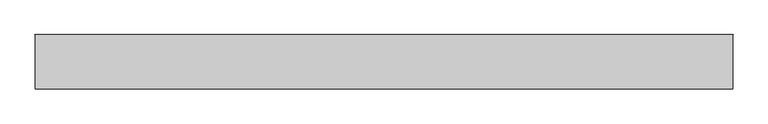
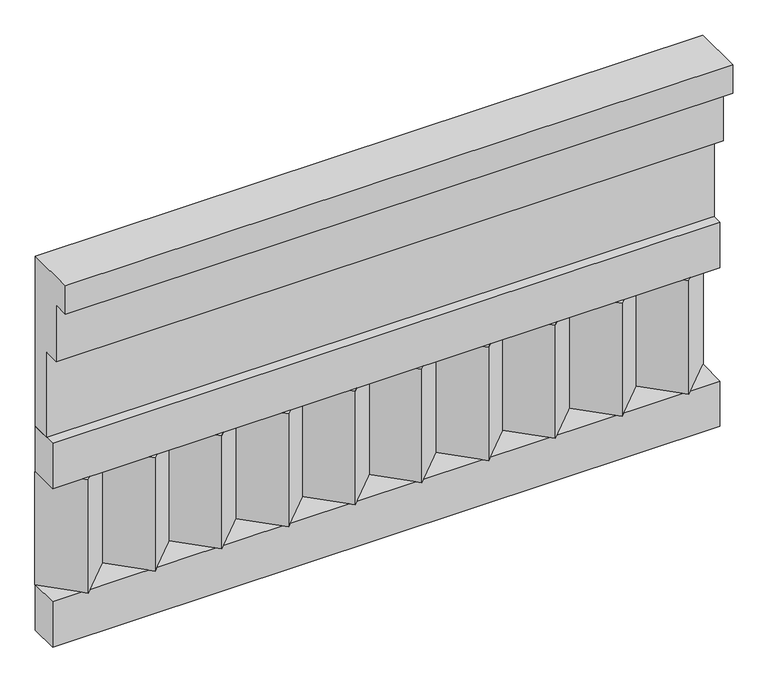
"""IFC4 building model written with IfcOpenShell, lengths in millimetres: railing geometry."""

import ifcopenshell
import ifcopenshell.guid

model = None  # the IFC model being written
_history = None  # IfcOwnerHistory: only IFC2X3 demands one
_inside = {}  # id of a spatial element -> (the spatial element, [elements in it])
_under = {}  # id of a project, library or spatial element -> (it, [spatial elements below it])
_declared = {}  # id of a project -> (the project, [libraries it declares])
_typed = {}  # id of a type object -> (the type object, [elements of that type])
_made_of = {}  # id of a material, layer set ... -> (it, [elements and type objects made of it])


def new_model(schema):
    """Start an empty IFC model of exactly this schema.

    Asked for "IFC4X3", IfcOpenShell would pick the latest addendum, in which some entities
    have other attributes; the version numbers below select the first issue.
    IFC2X3 requires an IfcOwnerHistory on every rooted entity: one is made here for all.
    """
    global model, _history
    if schema == "IFC4X3":
        model = ifcopenshell.file(schema_version=(4, 3, 0, 0))
    else:
        model = ifcopenshell.file(schema=schema)
    _inside.clear()
    _under.clear()
    _declared.clear()
    _typed.clear()
    _made_of.clear()
    _history = None
    if model.schema == "IFC2X3":
        org = make("IfcOrganization", Name="unknown")
        user = make(
            "IfcPersonAndOrganization",
            ThePerson=make("IfcPerson", FamilyName="unknown"),
            TheOrganization=org,
        )
        app = make(
            "IfcApplication",
            ApplicationDeveloper=org,
            Version="unknown",
            ApplicationFullName="unknown",
            ApplicationIdentifier="unknown",
        )
        _history = make(
            "IfcOwnerHistory",
            OwningUser=user,
            OwningApplication=app,
            ChangeAction="ADDED",
            CreationDate=0,
        )
    return model


def make(cls, **values):
    """One entity of the class cls with the attributes given. An attribute that is None is left unset."""
    return model.create_entity(
        cls, **{name: value for name, value in values.items() if value is not None}
    )


def rooted(cls, **values):
    """An entity with a GlobalId (a new one), such as an element, a storey or a relation."""
    return make(cls, GlobalId=ifcopenshell.guid.new(), OwnerHistory=_history, **values)


def si_unit(unit_type, name, prefix=None):
    """IfcSIUnit, for example si_unit("LENGTHUNIT", "METRE", prefix="MILLI")."""
    return make("IfcSIUnit", UnitType=unit_type, Prefix=prefix, Name=name)


def assignment(units):
    """IfcUnitAssignment: the units of a project."""
    return None if units is None else make("IfcUnitAssignment", Units=units)


def point(xyz):
    """IfcCartesianPoint."""
    return None if xyz is None else make("IfcCartesianPoint", Coordinates=xyz)


def direction(xyz):
    """IfcDirection."""
    return None if xyz is None else make("IfcDirection", DirectionRatios=xyz)


def frame(location, z_axis=None, x_axis=None):
    """IfcAxis2Placement3D, a coordinate frame: its origin and axes. An axis left out is left unset."""
    return make(
        "IfcAxis2Placement3D",
        Location=point(location),
        Axis=direction(z_axis),
        RefDirection=direction(x_axis),
    )


def origin():
    """The frame at (0, 0, 0) with its axes left unset."""
    return frame((0.0, 0.0, 0.0))


def place(relative_to, where):
    """IfcLocalPlacement: puts the frame where relative to a parent placement (None: the world)."""
    return make(
        "IfcLocalPlacement", PlacementRelTo=relative_to, RelativePlacement=where
    )


def context(
    kind, dimensions, precision=None, world=None, true_north=None, identifier=None
):
    """IfcGeometricRepresentationContext, for example the 3D "Model" context."""
    return make(
        "IfcGeometricRepresentationContext",
        ContextIdentifier=identifier,
        ContextType=kind,
        CoordinateSpaceDimension=dimensions,
        Precision=precision,
        WorldCoordinateSystem=world,
        TrueNorth=true_north,
    )


def project(units=None, contexts=None):
    """IfcProject with its units and contexts."""
    return rooted(
        "IfcProject",
        Name="project",
        RepresentationContexts=contexts,
        UnitsInContext=assignment(units),
    )


def spatial(cls, under=None, at=None, **own):
    """A site, building, storey or space (cls), placed at a placement, below another one or the project."""
    s = rooted(cls, ObjectPlacement=at, **own)
    if under is not None:
        _under.setdefault(under.id(), (under, []))[1].append(s)
    return s


def polyline(points):
    """IfcPolyline through the points."""
    return make("IfcPolyline", Points=[point(p) for p in points])


def outline(outer, holes=None, kind="AREA"):
    """IfcArbitraryClosedProfileDef: a profile drawn as a closed curve; with holes, ...WithVoids."""
    if holes is None:
        return make("IfcArbitraryClosedProfileDef", ProfileType=kind, OuterCurve=outer)
    return make(
        "IfcArbitraryProfileDefWithVoids",
        ProfileType=kind,
        OuterCurve=outer,
        InnerCurves=holes,
    )


def extrude(swept, where, along, depth):
    """IfcExtrudedAreaSolid: the profile swept, set in the frame where, extruded along a direction by depth."""
    return make(
        "IfcExtrudedAreaSolid",
        SweptArea=swept,
        Position=where,
        ExtrudedDirection=direction(along),
        Depth=depth,
    )


def shape(context_of_items, identifier, shape_type, items):
    """IfcShapeRepresentation: the items that make up one representation, for example the "Body"."""
    return make(
        "IfcShapeRepresentation",
        ContextOfItems=context_of_items,
        RepresentationIdentifier=identifier,
        RepresentationType=shape_type,
        Items=items,
    )


def source(mapping_origin, context_of_items, identifier, shape_type, items):
    """IfcRepresentationMap: a shape defined once, which mapped items show again and again."""
    return make(
        "IfcRepresentationMap",
        MappingOrigin=mapping_origin,
        MappedRepresentation=shape(context_of_items, identifier, shape_type, items),
    )


def transform(
    local_origin,
    x_axis=None,
    y_axis=None,
    z_axis=None,
    scale=None,
    scale2=None,
    scale3=None,
    uniform=True,
):
    """IfcCartesianTransformationOperator3D, or its non-uniform kind. x_axis, y_axis, z_axis: its Axis1, 2, 3."""
    if uniform:
        return make(
            "IfcCartesianTransformationOperator3D",
            Axis1=direction(x_axis),
            Axis2=direction(y_axis),
            LocalOrigin=point(local_origin),
            Scale=scale,
            Axis3=direction(z_axis),
        )
    return make(
        "IfcCartesianTransformationOperator3DnonUniform",
        Axis1=direction(x_axis),
        Axis2=direction(y_axis),
        LocalOrigin=point(local_origin),
        Scale=scale,
        Axis3=direction(z_axis),
        Scale2=scale2,
        Scale3=scale3,
    )


def mapped(mapping_source, mapping_target):
    """IfcMappedItem: shows the shape of a source again, moved by a transform."""
    return make(
        "IfcMappedItem", MappingSource=mapping_source, MappingTarget=mapping_target
    )


def made_of(thing, what):
    """Note that an element or type object is made of a material, layer set ...; save() writes the relation."""
    if what is not None:
        _made_of.setdefault(what.id(), (what, []))[1].append(thing)
    return thing


def element(
    cls,
    number,
    at=None,
    inside=None,
    cuts=None,
    type_object=None,
    material=None,
    context=None,
    identifier="Body",
    shape_type=None,
    held_by="IfcProductDefinitionShape",
    body=None,
    shapes=None,
    **own,
):
    """One element of the class cls, such as IfcWall. Its Tag is "e" and its number.

    at: its placement. inside: the storey or other place that contains it. cuts: it is an
    opening in that element (IfcRelVoidsElement). A single representation is given by context,
    identifier, shape_type and body (its items); several are given by shapes. held_by: the class
    of the entity that holds the representations. save() writes the other relations.
    """
    e = rooted(cls, Tag="e%d" % number, ObjectPlacement=at, **own)
    if body is not None:
        shapes = [shape(context, identifier, shape_type, body)]
    if shapes is not None:
        e.Representation = make(held_by, Representations=shapes)
    if inside is not None:
        _inside.setdefault(inside.id(), (inside, []))[1].append(e)
    if cuts is not None:
        rooted(
            "IfcRelVoidsElement", RelatingBuildingElement=cuts, RelatedOpeningElement=e
        )
    if type_object is not None:
        _typed.setdefault(type_object.id(), (type_object, []))[1].append(e)
    return made_of(e, material)


def aggregate(whole, parts):
    """IfcRelAggregates: a whole, such as a stair, and the parts it consists of."""
    return rooted("IfcRelAggregates", RelatingObject=whole, RelatedObjects=parts)


def save(model, path):
    """Write the relations noted so far, then the file.

    IfcRelAggregates (storeys below a building ...), IfcRelContainedInSpatialStructure (elements
    in a storey), IfcRelDefinesByType, IfcRelAssociatesMaterial and IfcRelDeclares: one each for
    every whole, place, type object, material and project.
    """
    for whole, parts in _under.values():
        aggregate(whole, parts)
    for where, things in _inside.values():
        rooted(
            "IfcRelContainedInSpatialStructure",
            RelatedElements=things,
            RelatingStructure=where,
        )
    for kind, things in _typed.values():
        rooted("IfcRelDefinesByType", RelatedObjects=things, RelatingType=kind)
    for what, things in _made_of.values():
        rooted("IfcRelAssociatesMaterial", RelatedObjects=things, RelatingMaterial=what)
    for by, libraries in _declared.values():
        rooted("IfcRelDeclares", RelatingContext=by, RelatedDefinitions=libraries)
    model.write(path)


def railing_e4d88e98(model_context):
    return source(origin(), model_context, "Body", "SweptSolid", [
        extrude(outline(polyline([(-16816.8920513, 21800.0), (-16816.8920513, 21350.0), (-16866.8920513, 21350.0), (-16866.8920513, 21575.0), (-16906.8920513, 21575.0), (-16906.8920513, 21725.0), (-16946.8920513, 21725.0), (-16946.8920513, 21800.0), (-16816.8920513, 21800.0)])), frame((5490.0112841, 0.0, 0.0), z_axis=(1.0, 0.0, 0.0), x_axis=(0.0, 1.0, 0.0)), (0.0, 0.0, 1.0), 1670.0),
        extrude(outline(polyline([(5490.0112841, -16891.8920513), (5490.0112841, -16816.8920513), (7160.0112841, -16816.8920513), (7160.0112841, -16891.8920513), (5490.0112841, -16891.8920513)])), frame((0.0, 0.0, 21230.0), z_axis=(0.0, 0.0, 1.0), x_axis=(1.0, 0.0, 0.0)), (0.0, 0.0, 1.0), 120.0),
        extrude(outline(polyline([(5490.0112841, -16891.8920513), (5490.0112841, -16816.8920513), (7160.0112841, -16816.8920513), (7160.0112841, -16891.8920513), (5490.0112841, -16891.8920513)])), frame((0.0, 0.0, 20810.0), z_axis=(0.0, 0.0, 1.0), x_axis=(1.0, 0.0, 0.0)), (0.0, 0.0, 1.0), 120.0),
        extrude(outline(polyline([(7076.5112841, -16901.7448651), (6991.6584704, -16816.8920513), (7161.3640978, -16816.8920513), (7076.5112841, -16901.7448651)])), frame((0.0, 0.0, 20930.0), z_axis=(0.0, 0.0, 1.0), x_axis=(1.0, 0.0, 0.0)), (0.0, 0.0, 1.0), 300.0),
        extrude(outline(polyline([(6909.5112841, -16901.7448651), (6824.6584704, -16816.8920513), (6994.3640978, -16816.8920513), (6909.5112841, -16901.7448651)])), frame((0.0, 0.0, 20930.0), z_axis=(0.0, 0.0, 1.0), x_axis=(1.0, 0.0, 0.0)), (0.0, 0.0, 1.0), 300.0),
        extrude(outline(polyline([(6742.5112841, -16901.7448651), (6657.6584704, -16816.8920513), (6827.3640978, -16816.8920513), (6742.5112841, -16901.7448651)])), frame((0.0, 0.0, 20930.0), z_axis=(0.0, 0.0, 1.0), x_axis=(1.0, 0.0, 0.0)), (0.0, 0.0, 1.0), 300.0),
        extrude(outline(polyline([(6575.5112841, -16901.7448651), (6490.6584704, -16816.8920513), (6660.3640978, -16816.8920513), (6575.5112841, -16901.7448651)])), frame((0.0, 0.0, 20930.0), z_axis=(0.0, 0.0, 1.0), x_axis=(1.0, 0.0, 0.0)), (0.0, 0.0, 1.0), 300.0),
        extrude(outline(polyline([(6408.5112841, -16901.7448651), (6323.6584704, -16816.8920513), (6493.3640978, -16816.8920513), (6408.5112841, -16901.7448651)])), frame((0.0, 0.0, 20930.0), z_axis=(0.0, 0.0, 1.0), x_axis=(1.0, 0.0, 0.0)), (0.0, 0.0, 1.0), 300.0),
        extrude(outline(polyline([(6241.5112841, -16901.7448651), (6156.6584704, -16816.8920513), (6326.3640978, -16816.8920513), (6241.5112841, -16901.7448651)])), frame((0.0, 0.0, 20930.0), z_axis=(0.0, 0.0, 1.0), x_axis=(1.0, 0.0, 0.0)), (0.0, 0.0, 1.0), 300.0),
        extrude(outline(polyline([(6074.5112841, -16901.7448651), (5989.6584704, -16816.8920513), (6159.3640978, -16816.8920513), (6074.5112841, -16901.7448651)])), frame((0.0, 0.0, 20930.0), z_axis=(0.0, 0.0, 1.0), x_axis=(1.0, 0.0, 0.0)), (0.0, 0.0, 1.0), 300.0),
        extrude(outline(polyline([(5907.5112841, -16901.7448651), (5822.6584704, -16816.8920513), (5992.3640978, -16816.8920513), (5907.5112841, -16901.7448651)])), frame((0.0, 0.0, 20930.0), z_axis=(0.0, 0.0, 1.0), x_axis=(1.0, 0.0, 0.0)), (0.0, 0.0, 1.0), 300.0),
        extrude(outline(polyline([(5740.5112841, -16901.7448651), (5655.6584704, -16816.8920513), (5825.3640978, -16816.8920513), (5740.5112841, -16901.7448651)])), frame((0.0, 0.0, 20930.0), z_axis=(0.0, 0.0, 1.0), x_axis=(1.0, 0.0, 0.0)), (0.0, 0.0, 1.0), 300.0),
        extrude(outline(polyline([(5573.5112841, -16901.7448651), (5488.6584704, -16816.8920513), (5658.3640978, -16816.8920513), (5573.5112841, -16901.7448651)])), frame((0.0, 0.0, 20930.0), z_axis=(0.0, 0.0, 1.0), x_axis=(1.0, 0.0, 0.0)), (0.0, 0.0, 1.0), 300.0),
    ])


if __name__ == "__main__":
    model = new_model("IFC4")
    model_context = context("Model", 3, world=origin())
    ifc_project = project(units=[si_unit("LENGTHUNIT", "METRE", prefix="MILLI")], contexts=[model_context])
    site = spatial("IfcSite", under=ifc_project)
    building = spatial("IfcBuilding", under=site)
    placement = place(None, origin())
    railing_shape = railing_e4d88e98(model_context)
    element("IfcRailing", 1, at=placement, inside=building, context=model_context, shape_type="MappedRepresentation", body=[
        mapped(railing_shape, transform((0.0, 0.0, 0.0), x_axis=(1.0, 0.0, 0.0), y_axis=(0.0, 1.0, 0.0), z_axis=(0.0, 0.0, 1.0))),
    ])
    save(model, "model.ifc")
